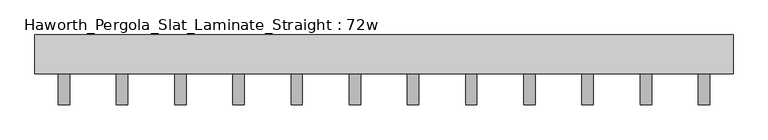
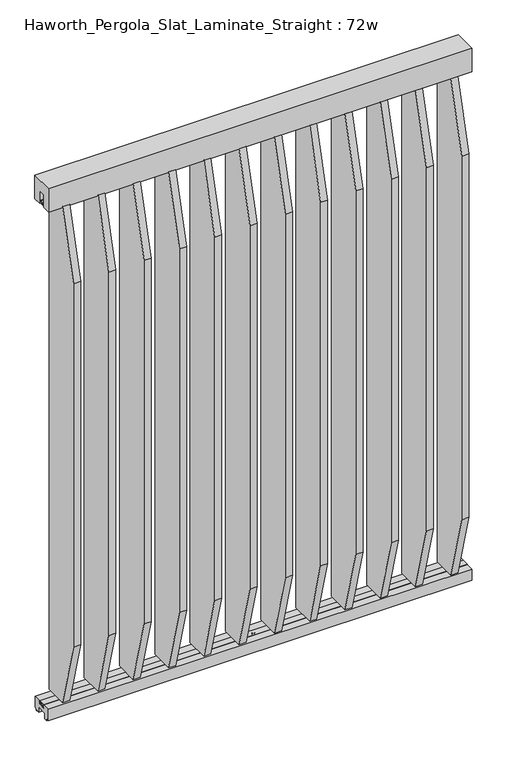
"""IFC4 building model written with IfcOpenShell, lengths in millimetres: furniture geometry, Haworth_Pergola_Slat_Laminate_Straight : 72w."""

from ifc_helpers import new_model, si_unit, point, frame, frame_2d, origin, place, context, project, spatial, polyline, circle_curve, trimmed, segment, composite_curve, outline, extrude, source, transform, mapped, element, save


def haworth_pergola_slat_laminate_straight_72w_04a19996(model_context):
    return source(origin(), model_context, "Body", "SweptSolid", [
        extrude(outline(polyline([(-50.8, 2438.4), (50.8, 2438.4), (50.8, 2331.8390625), (15.2182948, 2331.8390625), (15.2182948, 2388.7001663), (-15.2182948, 2388.7001663), (-15.2182948, 2331.8390625), (-50.8, 2331.8390625), (-50.8, 2438.4)])), frame((-876.3, 0.0, 0.0), z_axis=(1.0, 0.0, 0.0), x_axis=(0.0, 1.0, 0.0)), (0.0, 0.0, 1.0), 1828.8),
        extrude(outline(polyline([(-132.3000005, 2029.4009382), (-50.7895063, 2332.2900568), (50.8000016, 2332.2900568), (50.8000016, 68.9119318), (-50.7894893, 68.9119318), (-132.3000005, 371.8009898), (-132.3000005, 2029.4009382)])), frame((708.9000003, 0.0, 0.0), z_axis=(1.0, 0.0, 0.0), x_axis=(0.0, 1.0, 0.0)), (0.0, 0.0, 1.0), 29.9999997),
        extrude(outline(composite_curve([segment(trimmed(circle_curve(frame_2d((723.9000001, 1e-07)), 6.0), [point((717.9000001, 1e-07))], [point((729.9000001, 1e-07))], False, "CARTESIAN"), True, "CONTINUOUS"), segment(trimmed(circle_curve(frame_2d((723.9000001, 1e-07)), 6.0), [point((729.9000001, 1e-07))], [point((717.9000001, 1e-07))], False, "CARTESIAN"), True, "CONTINUOUS")], self_intersect=False)), frame((0.0, 0.0, 2332.2900568), z_axis=(0.0, 0.0, 1.0), x_axis=(1.0, 0.0, 0.0)), (0.0, 0.0, 1.0), 4.9609375),
        extrude(outline(composite_curve([segment(trimmed(circle_curve(frame_2d((723.9000001, 1e-07)), 6.0), [point((717.9000001, 1e-07))], [point((729.9000001, 1e-07))], False, "CARTESIAN"), True, "CONTINUOUS"), segment(trimmed(circle_curve(frame_2d((723.9000001, 1e-07)), 6.0), [point((729.9000001, 1e-07))], [point((717.9000001, 1e-07))], False, "CARTESIAN"), True, "CONTINUOUS")], self_intersect=False)), frame((0.0, 0.0, 63.9509943), z_axis=(0.0, 0.0, 1.0), x_axis=(1.0, 0.0, 0.0)), (0.0, 0.0, 1.0), 4.9609375),
        extrude(outline(polyline([(-132.3000005, 2029.8519326), (-50.7895063, 2332.7410511), (50.8000016, 2332.7410511), (50.8000016, 69.3629261), (-50.7894893, 69.3629261), (-132.3000005, 372.2519842), (-132.3000005, 2029.8519326)])), frame((556.5000003, 0.0, 0.0), z_axis=(1.0, 0.0, 0.0), x_axis=(0.0, 1.0, 0.0)), (0.0, 0.0, 1.0), 29.9999997),
        extrude(outline(composite_curve([segment(trimmed(circle_curve(frame_2d((571.5000001, 1e-07)), 6.0), [point((565.5000001, 1e-07))], [point((577.5000001, 1e-07))], False, "CARTESIAN"), True, "CONTINUOUS"), segment(trimmed(circle_curve(frame_2d((571.5000001, 1e-07)), 6.0), [point((577.5000001, 1e-07))], [point((565.5000001, 1e-07))], False, "CARTESIAN"), True, "CONTINUOUS")], self_intersect=False)), frame((0.0, 0.0, 2332.7410511), z_axis=(0.0, 0.0, 1.0), x_axis=(1.0, 0.0, 0.0)), (0.0, 0.0, 1.0), 4.9609375),
        extrude(outline(composite_curve([segment(trimmed(circle_curve(frame_2d((571.5000001, 1e-07)), 6.0), [point((565.5000001, 1e-07))], [point((577.5000001, 1e-07))], False, "CARTESIAN"), True, "CONTINUOUS"), segment(trimmed(circle_curve(frame_2d((571.5000001, 1e-07)), 6.0), [point((577.5000001, 1e-07))], [point((565.5000001, 1e-07))], False, "CARTESIAN"), True, "CONTINUOUS")], self_intersect=False)), frame((0.0, 0.0, 64.4019886), z_axis=(0.0, 0.0, 1.0), x_axis=(1.0, 0.0, 0.0)), (0.0, 0.0, 1.0), 4.9609375),
        extrude(outline(polyline([(-132.3000005, 2030.3029269), (-50.7895063, 2333.1920455), (50.8000016, 2333.1920455), (50.8000016, 69.8139205), (-50.7894893, 69.8139205), (-132.3000005, 372.7029785), (-132.3000005, 2030.3029269)])), frame((404.1000003, 0.0, 0.0), z_axis=(1.0, 0.0, 0.0), x_axis=(0.0, 1.0, 0.0)), (0.0, 0.0, 1.0), 29.9999997),
        extrude(outline(composite_curve([segment(trimmed(circle_curve(frame_2d((419.1000001, 1e-07)), 6.0), [point((413.1000001, 1e-07))], [point((425.1000001, 1e-07))], False, "CARTESIAN"), True, "CONTINUOUS"), segment(trimmed(circle_curve(frame_2d((419.1000001, 1e-07)), 6.0), [point((425.1000001, 1e-07))], [point((413.1000001, 1e-07))], False, "CARTESIAN"), True, "CONTINUOUS")], self_intersect=False)), frame((0.0, 0.0, 2333.1920455), z_axis=(0.0, 0.0, 1.0), x_axis=(1.0, 0.0, 0.0)), (0.0, 0.0, 1.0), 4.9609375),
        extrude(outline(composite_curve([segment(trimmed(circle_curve(frame_2d((419.1000001, 1e-07)), 6.0), [point((413.1000001, 1e-07))], [point((425.1000001, 1e-07))], False, "CARTESIAN"), True, "CONTINUOUS"), segment(trimmed(circle_curve(frame_2d((419.1000001, 1e-07)), 6.0), [point((425.1000001, 1e-07))], [point((413.1000001, 1e-07))], False, "CARTESIAN"), True, "CONTINUOUS")], self_intersect=False)), frame((0.0, 0.0, 64.852983), z_axis=(0.0, 0.0, 1.0), x_axis=(1.0, 0.0, 0.0)), (0.0, 0.0, 1.0), 4.9609375),
        extrude(outline(polyline([(-132.3000005, 2030.7539212), (-50.7895063, 2333.6430398), (50.8000016, 2333.6430398), (50.8000016, 70.2649148), (-50.7894893, 70.2649148), (-132.3000005, 373.1539728), (-132.3000005, 2030.7539212)])), frame((251.7000003, 0.0, 0.0), z_axis=(1.0, 0.0, 0.0), x_axis=(0.0, 1.0, 0.0)), (0.0, 0.0, 1.0), 29.9999997),
        extrude(outline(composite_curve([segment(trimmed(circle_curve(frame_2d((266.7000001, 1e-07)), 6.0), [point((260.7000001, 1e-07))], [point((272.7000001, 1e-07))], False, "CARTESIAN"), True, "CONTINUOUS"), segment(trimmed(circle_curve(frame_2d((266.7000001, 1e-07)), 6.0), [point((272.7000001, 1e-07))], [point((260.7000001, 1e-07))], False, "CARTESIAN"), True, "CONTINUOUS")], self_intersect=False)), frame((0.0, 0.0, 2333.6430398), z_axis=(0.0, 0.0, 1.0), x_axis=(1.0, 0.0, 0.0)), (0.0, 0.0, 1.0), 4.9609375),
        extrude(outline(composite_curve([segment(trimmed(circle_curve(frame_2d((266.7000001, 1e-07)), 6.0), [point((260.7000001, 1e-07))], [point((272.7000001, 1e-07))], False, "CARTESIAN"), True, "CONTINUOUS"), segment(trimmed(circle_curve(frame_2d((266.7000001, 1e-07)), 6.0), [point((272.7000001, 1e-07))], [point((260.7000001, 1e-07))], False, "CARTESIAN"), True, "CONTINUOUS")], self_intersect=False)), frame((0.0, 0.0, 65.3039773), z_axis=(0.0, 0.0, 1.0), x_axis=(1.0, 0.0, 0.0)), (0.0, 0.0, 1.0), 4.9609375),
        extrude(outline(polyline([(-132.3000005, 2031.2049155), (-50.7895063, 2334.0940341), (50.8000016, 2334.0940341), (50.8000016, 70.7159091), (-50.7894893, 70.7159091), (-132.3000005, 373.6049671), (-132.3000005, 2031.2049155)])), frame((99.3000003, 0.0, 0.0), z_axis=(1.0, 0.0, 0.0), x_axis=(0.0, 1.0, 0.0)), (0.0, 0.0, 1.0), 29.9999997),
        extrude(outline(composite_curve([segment(trimmed(circle_curve(frame_2d((114.3000001, 1e-07)), 6.0), [point((108.3000001, 1e-07))], [point((120.3000001, 1e-07))], False, "CARTESIAN"), True, "CONTINUOUS"), segment(trimmed(circle_curve(frame_2d((114.3000001, 1e-07)), 6.0), [point((120.3000001, 1e-07))], [point((108.3000001, 1e-07))], False, "CARTESIAN"), True, "CONTINUOUS")], self_intersect=False)), frame((0.0, 0.0, 2334.0940341), z_axis=(0.0, 0.0, 1.0), x_axis=(1.0, 0.0, 0.0)), (0.0, 0.0, 1.0), 4.9609375),
        extrude(outline(composite_curve([segment(trimmed(circle_curve(frame_2d((114.3000001, 1e-07)), 6.0), [point((108.3000001, 1e-07))], [point((120.3000001, 1e-07))], False, "CARTESIAN"), True, "CONTINUOUS"), segment(trimmed(circle_curve(frame_2d((114.3000001, 1e-07)), 6.0), [point((120.3000001, 1e-07))], [point((108.3000001, 1e-07))], False, "CARTESIAN"), True, "CONTINUOUS")], self_intersect=False)), frame((0.0, 0.0, 65.7549716), z_axis=(0.0, 0.0, 1.0), x_axis=(1.0, 0.0, 0.0)), (0.0, 0.0, 1.0), 4.9609375),
        extrude(outline(polyline([(-132.3000005, 2031.6559098), (-50.7895063, 2334.5450284), (50.8000016, 2334.5450284), (50.8000016, 71.1669034), (-50.7894893, 71.1669034), (-132.3000005, 374.0559614), (-132.3000005, 2031.6559098)])), frame((-53.0999997, 0.0, 0.0), z_axis=(1.0, 0.0, 0.0), x_axis=(0.0, 1.0, 0.0)), (0.0, 0.0, 1.0), 29.9999997),
        extrude(outline(composite_curve([segment(trimmed(circle_curve(frame_2d((-38.0999999, 1e-07)), 6.0), [point((-44.0999999, 1e-07))], [point((-32.0999999, 1e-07))], False, "CARTESIAN"), True, "CONTINUOUS"), segment(trimmed(circle_curve(frame_2d((-38.0999999, 1e-07)), 6.0), [point((-32.0999999, 1e-07))], [point((-44.0999999, 1e-07))], False, "CARTESIAN"), True, "CONTINUOUS")], self_intersect=False)), frame((0.0, 0.0, 2334.5450284), z_axis=(0.0, 0.0, 1.0), x_axis=(1.0, 0.0, 0.0)), (0.0, 0.0, 1.0), 4.9609375),
        extrude(outline(composite_curve([segment(trimmed(circle_curve(frame_2d((-38.0999999, 1e-07)), 6.0), [point((-44.0999999, 1e-07))], [point((-32.0999999, 1e-07))], False, "CARTESIAN"), True, "CONTINUOUS"), segment(trimmed(circle_curve(frame_2d((-38.0999999, 1e-07)), 6.0), [point((-32.0999999, 1e-07))], [point((-44.0999999, 1e-07))], False, "CARTESIAN"), True, "CONTINUOUS")], self_intersect=False)), frame((0.0, 0.0, 66.2059659), z_axis=(0.0, 0.0, 1.0), x_axis=(1.0, 0.0, 0.0)), (0.0, 0.0, 1.0), 4.9609375),
        extrude(outline(polyline([(-132.3000005, 2032.1069042), (-50.7895063, 2334.9960227), (50.8000016, 2334.9960227), (50.8000016, 71.6178977), (-50.7894893, 71.6178977), (-132.3000005, 374.5069557), (-132.3000005, 2032.1069042)])), frame((-205.4999997, 0.0, 0.0), z_axis=(1.0, 0.0, 0.0), x_axis=(0.0, 1.0, 0.0)), (0.0, 0.0, 1.0), 29.9999997),
        extrude(outline(composite_curve([segment(trimmed(circle_curve(frame_2d((-190.4999999, 1e-07)), 6.0), [point((-196.4999999, 1e-07))], [point((-184.4999999, 1e-07))], False, "CARTESIAN"), True, "CONTINUOUS"), segment(trimmed(circle_curve(frame_2d((-190.4999999, 1e-07)), 6.0), [point((-184.4999999, 1e-07))], [point((-196.4999999, 1e-07))], False, "CARTESIAN"), True, "CONTINUOUS")], self_intersect=False)), frame((0.0, 0.0, 2334.9960227), z_axis=(0.0, 0.0, 1.0), x_axis=(1.0, 0.0, 0.0)), (0.0, 0.0, 1.0), 4.9609375),
        extrude(outline(composite_curve([segment(trimmed(circle_curve(frame_2d((-190.4999999, 1e-07)), 6.0), [point((-196.4999999, 1e-07))], [point((-184.4999999, 1e-07))], False, "CARTESIAN"), True, "CONTINUOUS"), segment(trimmed(circle_curve(frame_2d((-190.4999999, 1e-07)), 6.0), [point((-184.4999999, 1e-07))], [point((-196.4999999, 1e-07))], False, "CARTESIAN"), True, "CONTINUOUS")], self_intersect=False)), frame((0.0, 0.0, 66.6569602), z_axis=(0.0, 0.0, 1.0), x_axis=(1.0, 0.0, 0.0)), (0.0, 0.0, 1.0), 4.9609375),
        extrude(outline(polyline([(-132.3000005, 2032.5578985), (-50.7895063, 2335.447017), (50.8000016, 2335.447017), (50.8000016, 72.068892), (-50.7894893, 72.068892), (-132.3000005, 374.9579501), (-132.3000005, 2032.5578985)])), frame((-357.8999997, 0.0, 0.0), z_axis=(1.0, 0.0, 0.0), x_axis=(0.0, 1.0, 0.0)), (0.0, 0.0, 1.0), 29.9999997),
        extrude(outline(composite_curve([segment(trimmed(circle_curve(frame_2d((-342.8999999, 1e-07)), 6.0), [point((-348.8999999, 1e-07))], [point((-336.8999999, 1e-07))], False, "CARTESIAN"), True, "CONTINUOUS"), segment(trimmed(circle_curve(frame_2d((-342.8999999, 1e-07)), 6.0), [point((-336.8999999, 1e-07))], [point((-348.8999999, 1e-07))], False, "CARTESIAN"), True, "CONTINUOUS")], self_intersect=False)), frame((0.0, 0.0, 2335.447017), z_axis=(0.0, 0.0, 1.0), x_axis=(1.0, 0.0, 0.0)), (0.0, 0.0, 1.0), 4.9609375),
        extrude(outline(composite_curve([segment(trimmed(circle_curve(frame_2d((-342.8999999, 1e-07)), 6.0), [point((-348.8999999, 1e-07))], [point((-336.8999999, 1e-07))], False, "CARTESIAN"), True, "CONTINUOUS"), segment(trimmed(circle_curve(frame_2d((-342.8999999, 1e-07)), 6.0), [point((-336.8999999, 1e-07))], [point((-348.8999999, 1e-07))], False, "CARTESIAN"), True, "CONTINUOUS")], self_intersect=False)), frame((0.0, 0.0, 67.1079545), z_axis=(0.0, 0.0, 1.0), x_axis=(1.0, 0.0, 0.0)), (0.0, 0.0, 1.0), 4.9609375),
        extrude(outline(polyline([(-132.3000005, 2033.0088928), (-50.7895063, 2335.8980114), (50.8000016, 2335.8980114), (50.8000016, 72.5198864), (-50.7894893, 72.5198864), (-132.3000005, 375.4089444), (-132.3000005, 2033.0088928)])), frame((-510.2999997, 0.0, 0.0), z_axis=(1.0, 0.0, 0.0), x_axis=(0.0, 1.0, 0.0)), (0.0, 0.0, 1.0), 29.9999997),
        extrude(outline(composite_curve([segment(trimmed(circle_curve(frame_2d((-495.2999999, 1e-07)), 6.0), [point((-501.2999999, 1e-07))], [point((-489.2999999, 1e-07))], False, "CARTESIAN"), True, "CONTINUOUS"), segment(trimmed(circle_curve(frame_2d((-495.2999999, 1e-07)), 6.0), [point((-489.2999999, 1e-07))], [point((-501.2999999, 1e-07))], False, "CARTESIAN"), True, "CONTINUOUS")], self_intersect=False)), frame((0.0, 0.0, 2335.8980114), z_axis=(0.0, 0.0, 1.0), x_axis=(1.0, 0.0, 0.0)), (0.0, 0.0, 1.0), 4.9609375),
        extrude(outline(composite_curve([segment(trimmed(circle_curve(frame_2d((-495.2999999, 1e-07)), 6.0), [point((-501.2999999, 1e-07))], [point((-489.2999999, 1e-07))], False, "CARTESIAN"), True, "CONTINUOUS"), segment(trimmed(circle_curve(frame_2d((-495.2999999, 1e-07)), 6.0), [point((-489.2999999, 1e-07))], [point((-501.2999999, 1e-07))], False, "CARTESIAN"), True, "CONTINUOUS")], self_intersect=False)), frame((0.0, 0.0, 67.5589489), z_axis=(0.0, 0.0, 1.0), x_axis=(1.0, 0.0, 0.0)), (0.0, 0.0, 1.0), 4.9609375),
        extrude(outline(polyline([(-132.3000005, 2033.4598871), (-50.7895063, 2336.3490057), (50.8000016, 2336.3490057), (50.8000016, 72.9708807), (-50.7894893, 72.9708807), (-132.3000005, 375.8599387), (-132.3000005, 2033.4598871)])), frame((-662.6999997, 0.0, 0.0), z_axis=(1.0, 0.0, 0.0), x_axis=(0.0, 1.0, 0.0)), (0.0, 0.0, 1.0), 29.9999997),
        extrude(outline(composite_curve([segment(trimmed(circle_curve(frame_2d((-647.6999999, 1e-07)), 6.0), [point((-653.6999999, 1e-07))], [point((-641.6999999, 1e-07))], False, "CARTESIAN"), True, "CONTINUOUS"), segment(trimmed(circle_curve(frame_2d((-647.6999999, 1e-07)), 6.0), [point((-641.6999999, 1e-07))], [point((-653.6999999, 1e-07))], False, "CARTESIAN"), True, "CONTINUOUS")], self_intersect=False)), frame((0.0, 0.0, 2336.3490057), z_axis=(0.0, 0.0, 1.0), x_axis=(1.0, 0.0, 0.0)), (0.0, 0.0, 1.0), 4.9609375),
        extrude(outline(composite_curve([segment(trimmed(circle_curve(frame_2d((-647.6999999, 1e-07)), 6.0), [point((-653.6999999, 1e-07))], [point((-641.6999999, 1e-07))], False, "CARTESIAN"), True, "CONTINUOUS"), segment(trimmed(circle_curve(frame_2d((-647.6999999, 1e-07)), 6.0), [point((-641.6999999, 1e-07))], [point((-653.6999999, 1e-07))], False, "CARTESIAN"), True, "CONTINUOUS")], self_intersect=False)), frame((0.0, 0.0, 68.0099432), z_axis=(0.0, 0.0, 1.0), x_axis=(1.0, 0.0, 0.0)), (0.0, 0.0, 1.0), 4.9609375),
        extrude(outline(polyline([(-132.3000005, 2028.9499439), (-50.7895063, 2331.8390625), (50.8000016, 2331.8390625), (50.8000016, 68.4609375), (-50.7894893, 68.4609375), (-132.3000005, 371.3499955), (-132.3000005, 2028.9499439)])), frame((861.3000003, 0.0, 0.0), z_axis=(1.0, 0.0, 0.0), x_axis=(0.0, 1.0, 0.0)), (0.0, 0.0, 1.0), 29.9999997),
        extrude(outline(composite_curve([segment(trimmed(circle_curve(frame_2d((876.3000001, 1e-07)), 6.0), [point((870.3000001, 1e-07))], [point((882.3000001, 1e-07))], False, "CARTESIAN"), True, "CONTINUOUS"), segment(trimmed(circle_curve(frame_2d((876.3000001, 1e-07)), 6.0), [point((882.3000001, 1e-07))], [point((870.3000001, 1e-07))], False, "CARTESIAN"), True, "CONTINUOUS")], self_intersect=False)), frame((0.0, 0.0, 2331.8390625), z_axis=(0.0, 0.0, 1.0), x_axis=(1.0, 0.0, 0.0)), (0.0, 0.0, 1.0), 4.9609375),
        extrude(outline(composite_curve([segment(trimmed(circle_curve(frame_2d((876.3000001, 1e-07)), 6.0), [point((870.3000001, 1e-07))], [point((882.3000001, 1e-07))], False, "CARTESIAN"), True, "CONTINUOUS"), segment(trimmed(circle_curve(frame_2d((876.3000001, 1e-07)), 6.0), [point((882.3000001, 1e-07))], [point((870.3000001, 1e-07))], False, "CARTESIAN"), True, "CONTINUOUS")], self_intersect=False)), frame((0.0, 0.0, 63.5), z_axis=(0.0, 0.0, 1.0), x_axis=(1.0, 0.0, 0.0)), (0.0, 0.0, 1.0), 4.9609375),
        extrude(outline(polyline([(-132.3000005, 2033.9108814), (-50.7895063, 2336.8), (50.8000016, 2336.8), (50.8000016, 73.421875), (-50.7894893, 73.421875), (-132.3000005, 376.310933), (-132.3000005, 2033.9108814)])), frame((-815.0999997, 0.0, 0.0), z_axis=(1.0, 0.0, 0.0), x_axis=(0.0, 1.0, 0.0)), (0.0, 0.0, 1.0), 29.9999997),
        extrude(outline(composite_curve([segment(trimmed(circle_curve(frame_2d((-800.0999999, 1e-07)), 6.0), [point((-806.0999999, 1e-07))], [point((-794.0999999, 1e-07))], False, "CARTESIAN"), True, "CONTINUOUS"), segment(trimmed(circle_curve(frame_2d((-800.0999999, 1e-07)), 6.0), [point((-794.0999999, 1e-07))], [point((-806.0999999, 1e-07))], False, "CARTESIAN"), True, "CONTINUOUS")], self_intersect=False)), frame((0.0, 0.0, 2336.8), z_axis=(0.0, 0.0, 1.0), x_axis=(1.0, 0.0, 0.0)), (0.0, 0.0, 1.0), 4.9609375),
        extrude(outline(composite_curve([segment(trimmed(circle_curve(frame_2d((-800.0999999, 1e-07)), 6.0), [point((-806.0999999, 1e-07))], [point((-794.0999999, 1e-07))], False, "CARTESIAN"), True, "CONTINUOUS"), segment(trimmed(circle_curve(frame_2d((-800.0999999, 1e-07)), 6.0), [point((-794.0999999, 1e-07))], [point((-806.0999999, 1e-07))], False, "CARTESIAN"), True, "CONTINUOUS")], self_intersect=False)), frame((0.0, 0.0, 68.4609375), z_axis=(0.0, 0.0, 1.0), x_axis=(1.0, 0.0, 0.0)), (0.0, 0.0, 1.0), 4.9609375),
        extrude(outline(polyline([(-7.8249998, 61.7499993), (-15.2249995, 61.7499993), (-15.2249995, 63.5), (15.2249996, 63.5), (15.2249996, 61.7499999), (13.3999997, 61.7499999), (13.3999997, 50.2499995), (11.8250005, 50.2499995), (11.8250005, 61.7499993), (-4.8250001, 61.7499993), (-4.8250001, 50.0999996), (-7.8249998, 50.0999996), (-7.8249998, 61.7499993)])), frame((-876.3, 0.0, 0.0), z_axis=(1.0, 0.0, 0.0), x_axis=(0.0, 1.0, 0.0)), (0.0, 0.0, 1.0), 1828.8),
        extrude(outline(polyline([(-16.2000002, 63.5), (-16.5085717, 61.7499999), (-13.3999996, 61.7499999), (-13.3999996, 58.8973461), (-15.4000002, 59.2499999), (-15.4000002, 48.3500004), (15.4000003, 48.3500004), (15.4000003, 59.2499999), (13.3999997, 58.8973461), (13.3999997, 61.7499999), (16.5085718, 61.7499999), (16.2000003, 63.5), (50.0000004, 63.5), (50.0000004, 12.6999985), (40.9499987, 12.6999985), (38.9499981, 10.6999979), (28.9499999, 10.6999979), (28.9499999, 7.6999994), (38.9499981, 7.6999994), (38.9499981, 5.6999988), (23.7499993, 5.6999988), (23.7499993, 31.4500009), (-23.7499992, 31.4500009), (-23.7499992, 5.6999988), (-38.949998, 5.6999988), (-38.949998, 7.6999994), (-28.9499998, 7.6999994), (-28.9499998, 10.6999979), (-38.949998, 10.6999979), (-40.9499986, 12.6999985), (-50.0000003, 12.6999985), (-50.0000003, 63.5), (-16.2000002, 63.5)])), frame((-876.3, 0.0, 0.0), z_axis=(1.0, 0.0, 0.0), x_axis=(0.0, 1.0, 0.0)), (0.0, 0.0, 1.0), 1828.8),
        extrude(outline(polyline([(7.8249999, 2338.5500385), (15.2249996, 2338.5500385), (15.2249996, 2336.8), (-15.2249995, 2336.8), (-15.2249995, 2338.5500385), (-13.3999996, 2338.5500385), (-13.3999996, 2350.0500633), (-11.8249992, 2350.0500633), (-11.8250004, 2338.5500385), (4.8250002, 2338.5500385), (4.8250002, 2350.2000542), (7.8250005, 2350.2000542), (7.8249999, 2338.5500385)])), frame((-876.3, 0.0, 0.0), z_axis=(1.0, 0.0, 0.0), x_axis=(0.0, 1.0, 0.0)), (0.0, 0.0, 1.0), 1828.8),
        extrude(outline(composite_curve([segment(trimmed(circle_curve(frame_2d((38.1000001, 1e-07)), 6.0), [point((32.1000001, 1e-07))], [point((44.1000001, 1e-07))], False, "CARTESIAN"), True, "CONTINUOUS"), segment(trimmed(circle_curve(frame_2d((38.1000001, 1e-07)), 6.0), [point((44.1000001, 1e-07))], [point((32.1000001, 1e-07))], False, "CARTESIAN"), True, "CONTINUOUS")], self_intersect=False)), frame((0.0, 0.0, 2319.1390625), z_axis=(0.0, 0.0, 1.0), x_axis=(1.0, 0.0, 0.0)), (0.0, 0.0, 1.0), 17.6609375),
        extrude(outline(composite_curve([segment(trimmed(circle_curve(frame_2d((38.1000001, 1e-07)), 6.0), [point((32.1000001, 1e-07))], [point((44.1000001, 1e-07))], False, "CARTESIAN"), True, "CONTINUOUS"), segment(trimmed(circle_curve(frame_2d((38.1000001, 1e-07)), 6.0), [point((44.1000001, 1e-07))], [point((32.1000001, 1e-07))], False, "CARTESIAN"), True, "CONTINUOUS")], self_intersect=False)), frame((0.0, 0.0, 55.7609375), z_axis=(0.0, 0.0, 1.0), x_axis=(1.0, 0.0, 0.0)), (0.0, 0.0, 1.0), 7.7390625),
    ])


if __name__ == "__main__":
    model = new_model("IFC4")
    model_context = context("Model", 3, world=origin())
    ifc_project = project(units=[si_unit("LENGTHUNIT", "METRE", prefix="MILLI")], contexts=[model_context])
    site = spatial("IfcSite", under=ifc_project)
    building = spatial("IfcBuilding", under=site)
    placement = place(None, origin())
    haworth_pergola_slat_laminate_straight_72w_shape = haworth_pergola_slat_laminate_straight_72w_04a19996(model_context)
    element("IfcFurniture", 1, ObjectType="Haworth_Pergola_Slat_Laminate_Straight : 72w", at=placement, inside=building, context=model_context, shape_type="MappedRepresentation", body=[
        mapped(haworth_pergola_slat_laminate_straight_72w_shape, transform((0.0, 0.0, 0.0), x_axis=(1.0, 0.0, 0.0), y_axis=(0.0, 1.0, 0.0), z_axis=(0.0, 0.0, 1.0))),
    ])
    save(model, "model.ifc")
